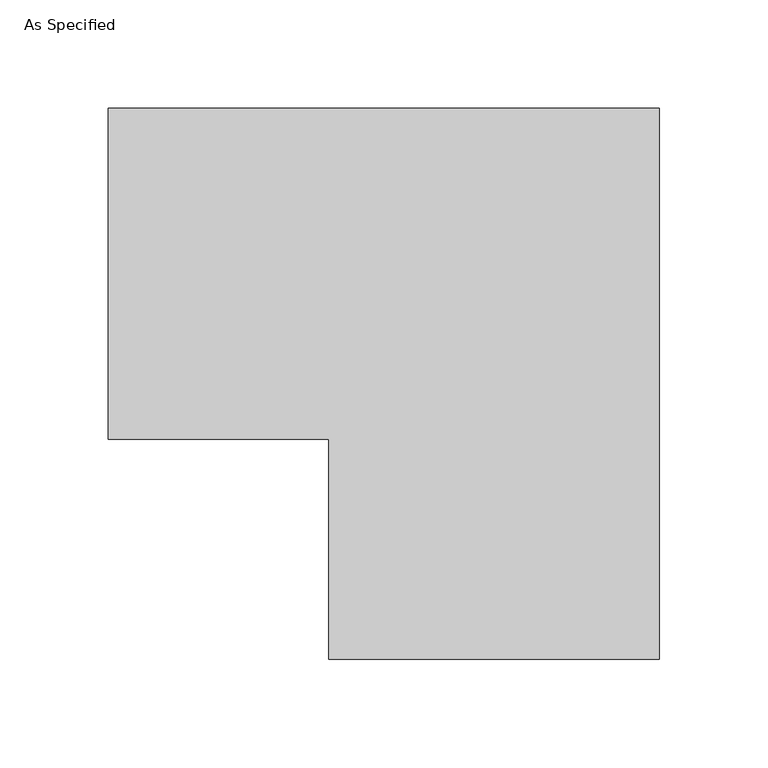
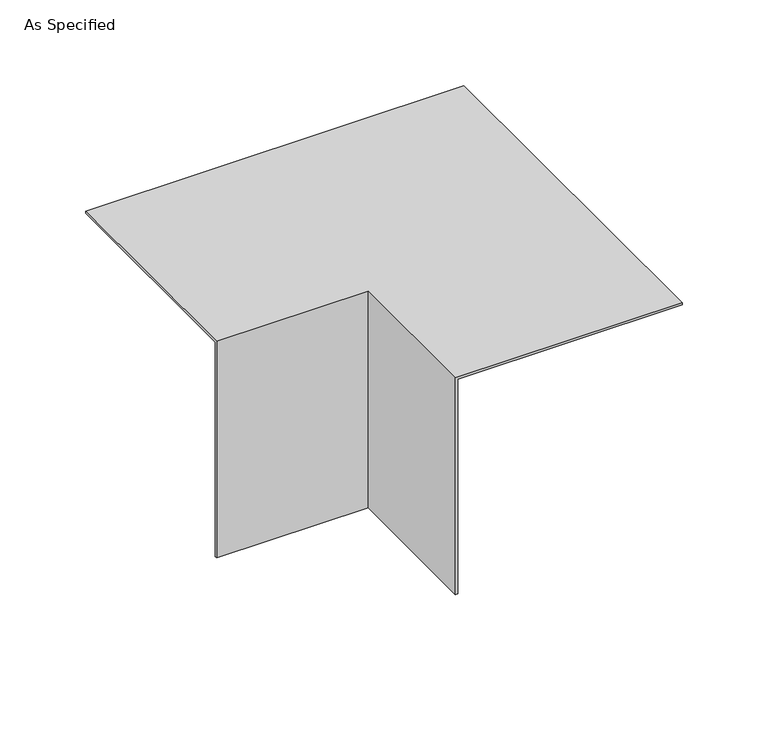
"""IFC4 building model written with IfcOpenShell, lengths in millimetres: proxy geometry, As Specified."""

from ifc_helpers import new_model, si_unit, origin, place, context, project, spatial, faceted_brep, source, transform, mapped, element, save


def as_specified_cd656ca7(model_context):
    return source(origin(), model_context, "Body", "Brep", [
        faceted_brep([(1.5875, -101.6, 0.0), (1.5875, -101.6, 152.4), (152.4, -101.6, 152.4), (152.4, -101.6, 153.9875), (0.0, -101.6, 153.9875), (0.0, -101.6, 0.0), (1.5875, 1.5875, 0.0), (1.5875, 1.5875, 152.4), (-101.6, 1.5875, 152.4), (-101.6, 152.4, 152.4), (152.4, 152.4, 152.4), (0.0, 0.0, 153.9875), (0.0, 0.0, 0.0), (-101.6, 0.0, 0.0), (-101.6, 1.5875, 0.0), (-101.6, 0.0, 153.9875), (-101.6, 152.4, 153.9875), (152.4, 152.4, 153.9875)], [[[0, 1, 2, 3, 4, 5]], [[1, 0, 6, 7]], [[2, 1, 7, 8, 9, 10]], [[5, 4, 11, 12]], [[0, 5, 12, 13, 14, 6]], [[14, 13, 15, 16, 9, 8]], [[7, 6, 14, 8]], [[12, 11, 15, 13]], [[3, 2, 10, 17]], [[4, 3, 17, 16, 15, 11]], [[17, 10, 9, 16]]]),
    ])


if __name__ == "__main__":
    model = new_model("IFC4")
    model_context = context("Model", 3, world=origin())
    ifc_project = project(units=[si_unit("LENGTHUNIT", "METRE", prefix="MILLI")], contexts=[model_context])
    site = spatial("IfcSite", under=ifc_project)
    building = spatial("IfcBuilding", under=site)
    placement = place(None, origin())
    as_specified_shape = as_specified_cd656ca7(model_context)
    element("IfcBuildingElementProxy", 1, Name="As Specified", ObjectType="As Specified", at=placement, inside=building, context=model_context, shape_type="MappedRepresentation", body=[
        mapped(as_specified_shape, transform((0.0, 0.0, 0.0), x_axis=(1.0, 0.0, 0.0), y_axis=(0.0, 1.0, 0.0), z_axis=(0.0, 0.0, 1.0))),
    ])
    save(model, "model.ifc")
